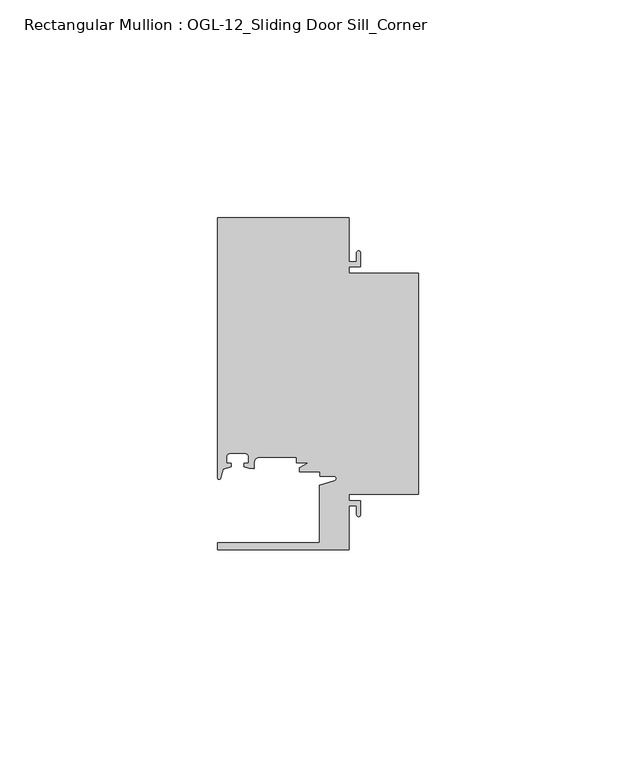
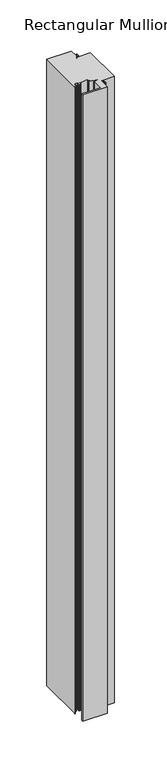
"""IFC4 building model written with IfcOpenShell, lengths in millimetres: member geometry, Rectangular Mullion : OGL-12_Sliding Door Sill_Corner."""

from ifc_helpers import new_model, si_unit, point, frame, frame_2d, origin, place, context, project, spatial, polyline, circle_curve, trimmed, segment, composite_curve, outline, extrude, source, transform, mapped, element, save


def rectangular_mullion_ogl_12_sliding_door_sill_corner_8eae5955(model_context):
    return source(origin(), model_context, "Body", "SweptSolid", [
        extrude(outline(composite_curve([segment(polyline([(0.0, 4.7625), (-15.934238, 4.7625), (-15.934238, 3.3151991), (-13.2417195, 3.3151991), (-13.2417195, 0.1196497)]), True, "CONTINUOUS"), segment(trimmed(circle_curve(frame_2d((-13.6974747, 0.1196497)), 0.4557552), [point((-13.2417195, 0.1196497))], [point((-14.15323, 0.1196497))], False, "CARTESIAN"), True, "CONTINUOUS"), segment(polyline([(-14.15323, 0.1196497), (-14.15323, 2.1086991), (-15.934238, 2.1086991), (-15.934238, -7.9371792), (-46.0931306, -7.9371792), (-46.0931306, -6.3496792), (-22.6260049, -6.3496792), (-22.6260049, 6.8788334), (-19.2086572, 7.8587421)]), True, "CONTINUOUS"), segment(trimmed(circle_curve(frame_2d((-19.3562398, 8.373424)), 0.5354233), [point((-19.2086572, 7.8587421))], [point((-19.3562398, 8.9088472))], True, "CARTESIAN"), True, "CONTINUOUS"), segment(polyline([(-19.3562398, 8.9088472), (-22.6027094, 8.9088472), (-22.6027094, 9.9460025), (-27.2970068, 9.9460025), (-27.2970068, 10.896705), (-25.1995125, 12.0119625), (-27.9268052, 12.0119625), (-27.9268052, 13.2988211), (-36.3386331, 13.2988211)]), True, "CONTINUOUS"), segment(trimmed(circle_curve(frame_2d((-36.3386331, 11.8846104)), 1.4142107), [point((-36.3386331, 13.2988211))], [point((-37.7528423, 11.8825031))], True, "CARTESIAN"), True, "CONTINUOUS"), segment(polyline([(-37.7528423, 11.8825031), (-37.7528423, 10.6805611), (-38.8813571, 10.7133647), (-39.9812066, 11.0948795), (-39.9812066, 11.9378256), (-39.0028438, 11.9378256), (-39.0028438, 13.3878227)]), True, "CONTINUOUS"), segment(trimmed(circle_curve(frame_2d((-39.8028422, 13.3878227)), 0.7999984), [point((-39.0028438, 13.3878227))], [point((-39.8028422, 14.1878211))], True, "CARTESIAN"), True, "CONTINUOUS"), segment(polyline([(-39.8028422, 14.1878211), (-43.2028354, 14.1878211)]), True, "CONTINUOUS"), segment(trimmed(circle_curve(frame_2d((-43.2028354, 13.3878227)), 0.7999984), [point((-43.2028354, 14.1878211))], [point((-44.0028338, 13.3878227))], True, "CARTESIAN"), True, "CONTINUOUS"), segment(polyline([(-44.0028338, 13.3878227), (-44.0028338, 11.9378256), (-43.0244711, 11.9378256), (-43.0244711, 11.1260664), (-44.83413, 10.5380726), (-45.434586, 8.4440335)]), True, "CONTINUOUS"), segment(trimmed(circle_curve(frame_2d((-45.7573546, 8.5365859)), 0.335776), [point((-45.434586, 8.4440335))], [point((-46.0931306, 8.5365859))], False, "CARTESIAN"), True, "CONTINUOUS"), segment(polyline([(-46.0931306, 8.5365859), (-46.0931306, 68.2628208), (-15.934238, 68.2628208), (-15.934238, 58.2169425), (-14.15323, 58.2169425), (-14.15323, 60.2053503)]), True, "CONTINUOUS"), segment(trimmed(circle_curve(frame_2d((-13.6974747, 60.2053503)), 0.4557552), [point((-14.15323, 60.2053503))], [point((-13.2417195, 60.2053503))], False, "CARTESIAN"), True, "CONTINUOUS"), segment(polyline([(-13.2417195, 60.2053503), (-13.2417195, 57.0104425), (-15.934238, 57.0104425), (-15.934238, 55.5625), (0.0, 55.5625), (0.0, 4.7625)]), True, "CONTINUOUS")], self_intersect=False)), frame((0.0, 0.0, -816.0309694), z_axis=(0.0, 0.0, 1.0), x_axis=(1.0, 0.0, 0.0)), (0.0, 0.0, 1.0), 816.0309694),
    ])


if __name__ == "__main__":
    model = new_model("IFC4")
    model_context = context("Model", 3, world=origin())
    ifc_project = project(units=[si_unit("LENGTHUNIT", "METRE", prefix="MILLI")], contexts=[model_context])
    site = spatial("IfcSite", under=ifc_project)
    building = spatial("IfcBuilding", under=site)
    placement = place(None, origin())
    rectangular_mullion_ogl_12_sliding_door_sill_corner_shape = rectangular_mullion_ogl_12_sliding_door_sill_corner_8eae5955(model_context)
    element("IfcMember", 1, ObjectType="Rectangular Mullion : OGL-12_Sliding Door Sill_Corner", at=placement, inside=building, context=model_context, shape_type="MappedRepresentation", body=[
        mapped(rectangular_mullion_ogl_12_sliding_door_sill_corner_shape, transform((0.0, 0.0, 0.0), x_axis=(1.0, 0.0, 0.0), y_axis=(0.0, 1.0, 0.0), z_axis=(0.0, 0.0, 1.0))),
    ])
    save(model, "model.ifc")
